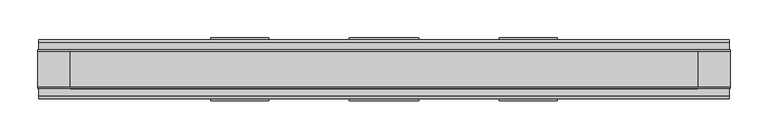
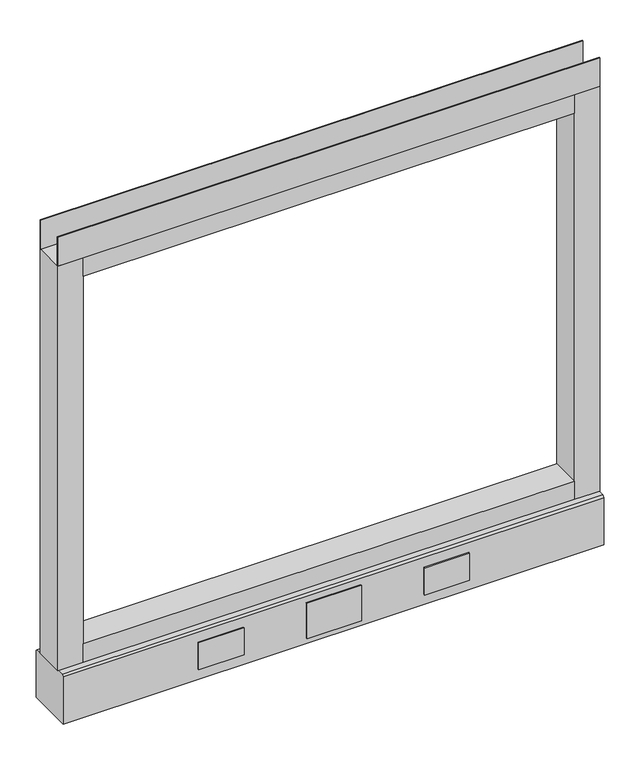
"""IFC4 building model written with IfcOpenShell, lengths in millimetres: furniture geometry."""

from ifc_helpers import new_model, si_unit, point, frame, frame_2d, origin, place, context, project, spatial, polyline, circle_curve, trimmed, segment, composite_curve, outline, extrude, source, transform, mapped, element, save
from ifc_brep_helpers import plane_surface, revolved_surface, advanced_brep


def furniture_84e7ac2e(model_context):
    return source(origin(), model_context, "Body", "SolidModel", [
        advanced_brep(
        [(387.35, 0.0, 6.35), (412.75, 0.0, 6.35), (381.0, 0.0, 0.0), (419.1, 0.0, 0.0)],
        [
            (0, 1, circle_curve(frame((400.05, 0.0, 6.35), z_axis=(0.0, 0.0, 1.0), x_axis=(-1.0, 0.0, 0.0)), 12.7)),
            (1, 0, circle_curve(frame((400.05, 0.0, 6.35), z_axis=(0.0, 0.0, 1.0), x_axis=(1.0, 0.0, 0.0)), 12.7)),
            (2, 3, circle_curve(frame((400.05, 0.0, 0.0), z_axis=(0.0, 0.0, -1.0), x_axis=(1.0, 0.0, 0.0)), 19.05)),
            (3, 2, circle_curve(frame((400.05, 0.0, 0.0), z_axis=(0.0, 0.0, -1.0), x_axis=(-1.0, 0.0, 0.0)), 19.05)),
            (3, 1),
            (0, 2),
        ],
        [
            plane_surface(frame((400.05, 0.0, 6.35), z_axis=(0.0, 0.0, 1.0), x_axis=(0.0, -1.0, 0.0))),
            plane_surface(frame((400.05, 0.0, 0.0), z_axis=(0.0, 0.0, -1.0), x_axis=(0.0, -1.0, 0.0))),
            revolved_surface(polyline([(387.35, 0.0, 6.35), (381.0, 0.0, 0.0)]), (400.05, 0.0, 19.05), (0.0, 0.0, -1.0)),
            revolved_surface(polyline([(412.75, 0.0, 6.35), (419.1, 0.0, 0.0)]), (400.05, 0.0, 19.05), (0.0, 0.0, -1.0)),
        ],
        [
            (0, [[1, 2]]),
            (1, [[3, 4]]),
            (2, [[-4, 5, -1, 6]]),
            (3, [[-3, -6, -2, -5]]),
        ],
    ),
        advanced_brep(
        [(-412.75, 0.0, 6.35), (-387.35, 0.0, 6.35), (-419.1, 0.0, 0.0), (-381.0, 0.0, 0.0)],
        [
            (0, 1, circle_curve(frame((-400.05, 0.0, 6.35), z_axis=(0.0, 0.0, 1.0), x_axis=(-1.0, 0.0, 0.0)), 12.7)),
            (1, 0, circle_curve(frame((-400.05, 0.0, 6.35), z_axis=(0.0, 0.0, 1.0), x_axis=(1.0, 0.0, 0.0)), 12.7)),
            (2, 3, circle_curve(frame((-400.05, 0.0, 0.0), z_axis=(0.0, 0.0, -1.0), x_axis=(1.0, 0.0, 0.0)), 19.05)),
            (3, 2, circle_curve(frame((-400.05, 0.0, 0.0), z_axis=(0.0, 0.0, -1.0), x_axis=(-1.0, 0.0, 0.0)), 19.05)),
            (3, 1),
            (0, 2),
        ],
        [
            plane_surface(frame((-400.05, 0.0, 6.35), z_axis=(0.0, 0.0, 1.0), x_axis=(0.0, -1.0, 0.0))),
            plane_surface(frame((-400.05, 0.0, 0.0), z_axis=(0.0, 0.0, -1.0), x_axis=(0.0, -1.0, 0.0))),
            revolved_surface(polyline([(-412.75, 0.0, 6.35), (-419.1, 0.0, 0.0)]), (-400.05, 0.0, 19.05), (0.0, 0.0, -1.0)),
            revolved_surface(polyline([(-387.35, 0.0, 6.35), (-381.0, 0.0, 0.0)]), (-400.05, 0.0, 19.05), (0.0, 0.0, -1.0)),
        ],
        [
            (0, [[1, 2]]),
            (1, [[3, 4]]),
            (2, [[-4, 5, -1, 6]]),
            (3, [[-3, -6, -2, -5]]),
        ],
    ),
        extrude(outline(polyline([(228.6, 39.0921875), (152.4, 39.0921875), (152.4, 41.4020035), (228.6, 41.4020035), (228.6, 39.0921875)])), frame((0.0, 0.0, 32.512), z_axis=(0.0, 0.0, 1.0), x_axis=(1.0, 0.0, 0.0)), (0.0, 0.0, 1.0), 48.26),
        extrude(outline(polyline([(45.7708, 39.0921875), (-45.7708, 39.0921875), (-45.7708, 41.4020035), (45.7708, 41.4020035), (45.7708, 39.0921875)])), frame((0.0, 0.0, 23.8125), z_axis=(0.0, 0.0, 1.0), x_axis=(1.0, 0.0, 0.0)), (0.0, 0.0, 1.0), 63.5),
        extrude(outline(polyline([(-152.4, 39.0921875), (-228.6, 39.0921875), (-228.6, 41.4020035), (-152.4, 41.4020035), (-152.4, 39.0921875)])), frame((0.0, 0.0, 32.512), z_axis=(0.0, 0.0, 1.0), x_axis=(1.0, 0.0, 0.0)), (0.0, 0.0, 1.0), 48.26),
        extrude(outline(polyline([(228.6, -41.4019923), (152.4, -41.4019923), (152.4, -39.0921875), (228.6, -39.0921875), (228.6, -41.4019923)])), frame((0.0, 0.0, 32.512), z_axis=(0.0, 0.0, 1.0), x_axis=(1.0, 0.0, 0.0)), (0.0, 0.0, 1.0), 48.26),
        extrude(outline(polyline([(-152.4, -41.4019923), (-228.6, -41.4019923), (-228.6, -39.0921875), (-152.4, -39.0921875), (-152.4, -41.4019923)])), frame((0.0, 0.0, 32.512), z_axis=(0.0, 0.0, 1.0), x_axis=(1.0, 0.0, 0.0)), (0.0, 0.0, 1.0), 48.26),
        extrude(outline(polyline([(45.7708, -41.4019923), (-45.7708, -41.4019923), (-45.7708, -39.0921875), (45.7708, -39.0921875), (45.7708, -41.4019923)])), frame((0.0, 0.0, 23.8125), z_axis=(0.0, 0.0, 1.0), x_axis=(1.0, 0.0, 0.0)), (0.0, 0.0, 1.0), 63.5),
        extrude(outline(polyline([(457.2, -23.8125), (457.2, -25.4), (-457.2, -25.4), (-457.2, -23.8125), (457.2, -23.8125)])), frame((0.0, 0.0, 822.833), z_axis=(0.0, 0.0, 1.0), x_axis=(1.0, 0.0, 0.0)), (0.0, 0.0, 1.0), 51.435),
        extrude(outline(polyline([(457.2, 25.4), (457.2, 23.8125), (-457.2, 23.8125), (-457.2, 25.4), (457.2, 25.4)])), frame((0.0, 0.0, 822.833), z_axis=(0.0, 0.0, 1.0), x_axis=(1.0, 0.0, 0.0)), (0.0, 0.0, 1.0), 51.435),
        extrude(outline(polyline([(414.3375, -25.4), (-414.3375, -25.4), (-414.3375, 25.4), (414.3375, 25.4), (414.3375, -25.4)])), frame((0.0, 0.0, 789.94), z_axis=(0.0, 0.0, 1.0), x_axis=(1.0, 0.0, 0.0)), (0.0, 0.0, 1.0), 32.893),
        extrude(outline(polyline([(414.3375, -25.4), (-414.3375, -25.4), (-414.3375, 25.4), (414.3375, 25.4), (414.3375, -25.4)])), frame((0.0, 0.0, 101.6), z_axis=(0.0, 0.0, 1.0), x_axis=(1.0, 0.0, 0.0)), (0.0, 0.0, 1.0), 32.893),
        extrude(outline(composite_curve([segment(trimmed(circle_curve(frame_2d((-400.05, 0.0)), 5.55625), [point((-405.60625, 0.0))], [point((-394.49375, 0.0))], False, "CARTESIAN"), True, "CONTINUOUS"), segment(trimmed(circle_curve(frame_2d((-400.05, 0.0)), 5.55625), [point((-394.49375, 0.0))], [point((-405.60625, 0.0))], False, "CARTESIAN"), True, "CONTINUOUS")], self_intersect=False)), frame((0.0, 0.0, 6.35), z_axis=(0.0, 0.0, 1.0), x_axis=(1.0, 0.0, 0.0)), (0.0, 0.0, 1.0), 7.9375),
        extrude(outline(composite_curve([segment(trimmed(circle_curve(frame_2d((400.05, 0.0)), 5.55625), [point((394.49375, 0.0))], [point((405.60625, 0.0))], False, "CARTESIAN"), True, "CONTINUOUS"), segment(trimmed(circle_curve(frame_2d((400.05, 0.0)), 5.55625), [point((405.60625, 0.0))], [point((394.49375, 0.0))], False, "CARTESIAN"), True, "CONTINUOUS")], self_intersect=False)), frame((0.0, 0.0, 6.35), z_axis=(0.0, 0.0, 1.0), x_axis=(1.0, 0.0, 0.0)), (0.0, 0.0, 1.0), 7.9375),
        extrude(outline(polyline([(-414.3375, -25.4), (-457.2, -25.4), (-457.2, 25.4), (-414.3375, 25.4), (-414.3375, -25.4)])), frame((0.0, 0.0, 101.6), z_axis=(0.0, 0.0, 1.0), x_axis=(1.0, 0.0, 0.0)), (0.0, 0.0, 1.0), 721.233),
        extrude(outline(polyline([(457.2, -25.4), (414.3375, -25.4), (414.3375, 25.4), (457.2, 25.4), (457.2, -25.4)])), frame((0.0, 0.0, 101.6), z_axis=(0.0, 0.0, 1.0), x_axis=(1.0, 0.0, 0.0)), (0.0, 0.0, 1.0), 721.233),
        extrude(outline(polyline([(-35.9171875, 101.6), (35.9171875, 101.6), (39.0921875, 98.425), (39.0921875, 14.2875), (-39.0921875, 14.2875), (-39.0921875, 98.425), (-35.9171875, 101.6)])), frame((-456.057, 0.0, 0.0), z_axis=(1.0, 0.0, 0.0), x_axis=(0.0, 1.0, 0.0)), (0.0, 0.0, 1.0), 912.1140102),
    ])


if __name__ == "__main__":
    model = new_model("IFC4")
    model_context = context("Model", 3, world=origin())
    ifc_project = project(units=[si_unit("LENGTHUNIT", "METRE", prefix="MILLI")], contexts=[model_context])
    site = spatial("IfcSite", under=ifc_project)
    building = spatial("IfcBuilding", under=site)
    placement = place(None, origin())
    furniture_shape = furniture_84e7ac2e(model_context)
    element("IfcFurniture", 1, at=placement, inside=building, context=model_context, shape_type="MappedRepresentation", body=[
        mapped(furniture_shape, transform((0.0, 0.0, 0.0), x_axis=(1.0, 0.0, 0.0), y_axis=(0.0, 1.0, 0.0), z_axis=(0.0, 0.0, 1.0))),
    ])
    save(model, "model.ifc")
